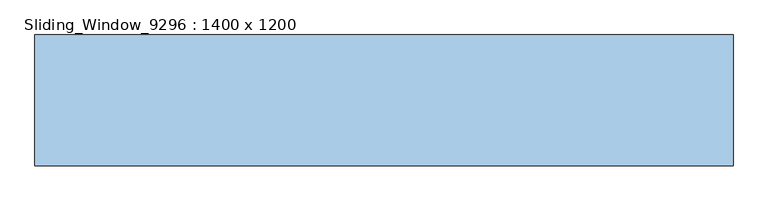
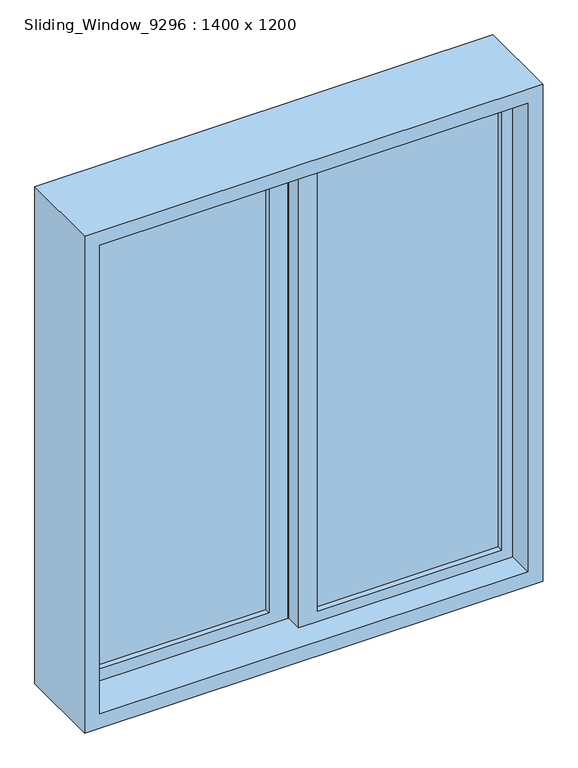
"""IFC4 building model written with IfcOpenShell, lengths in millimetres: window geometry, Sliding_Window_9296 : 1400 x 1200."""

from ifc_helpers import new_model, si_unit, frame, origin, place, context, project, spatial, polyline, outline, extrude, faceted_brep, source, transform, mapped, element, save


def sliding_window_9296_1400_x_1200_c978cd80(model_context):
    return source(origin(), model_context, "Body", "SolidModel", [
        faceted_brep([(-609.6, -114.3, 2297.0), (-609.6, 114.3, 2297.0), (-609.6, 114.3, 900.0), (-609.6, -114.3, 900.0), (609.6, 114.3, 2297.0), (609.6, 114.3, 900.0), (-589.6, 114.3, 920.0), (589.6, 114.3, 920.0), (589.6, 114.3, 2277.0), (-589.6, 114.3, 2277.0), (609.6, -114.3, 900.0), (609.6, -114.3, 2297.0), (-569.6, -114.3, 2257.0), (569.6, -114.3, 2257.0), (569.6, -114.3, 940.0), (-569.6, -114.3, 940.0), (-569.6, 0.0, 2257.0), (-569.6, 0.0, 940.0), (569.6, 0.0, 940.0), (-589.6, 0.0, 2277.0), (589.6, 0.0, 2277.0), (589.6, 0.0, 920.0), (-589.6, 0.0, 920.0), (569.6, 0.0, 2257.0)], [[[0, 1, 2, 3]], [[1, 4, 5, 2], [6, 7, 8, 9]], [[3, 2, 5, 10]], [[3, 10, 11, 0], [12, 13, 14, 15]], [[16, 12, 15, 17]], [[17, 15, 14, 18]], [[19, 20, 21, 22], [17, 18, 23, 16]], [[9, 19, 22, 6]], [[6, 22, 21, 7]], [[10, 5, 4, 11]], [[18, 14, 13, 23]], [[7, 21, 20, 8]], [[11, 4, 1, 0]], [[23, 13, 12, 16]], [[8, 20, 19, 9]]]),
        extrude(outline(polyline([(-50.0, 20.0), (-539.6, 20.0), (-539.6, 32.0), (-50.0, 32.0), (-50.0, 20.0)])), frame((0.0, 0.0, 970.0), z_axis=(0.0, 0.0, 1.0), x_axis=(1.0, 0.0, 0.0)), (0.0, 0.0, 1.0), 1257.0),
        extrude(outline(polyline([(920.0, 0.0), (2277.0, 0.0), (2277.0, -589.6), (920.0, -589.6), (920.0, 0.0)]), holes=[polyline([(2227.0, -539.6), (2227.0, -50.0), (970.0, -50.0), (970.0, -539.6), (2227.0, -539.6)])]), frame((0.0, 5.0, 0.0), z_axis=(0.0, 1.0, 0.0), x_axis=(0.0, 0.0, 1.0)), (0.0, 0.0, 1.0), 45.0),
        extrude(outline(polyline([(539.6, -30.0), (50.0, -30.0), (50.0, -18.0), (539.6, -18.0), (539.6, -30.0)])), frame((0.0, 0.0, 970.0), z_axis=(0.0, 0.0, 1.0), x_axis=(1.0, 0.0, 0.0)), (0.0, 0.0, 1.0), 1257.0),
        extrude(outline(polyline([(920.0, 589.6), (2277.0, 589.6), (2277.0, 0.0), (920.0, 0.0), (920.0, 589.6)]), holes=[polyline([(2227.0, 50.0), (2227.0, 539.6), (970.0, 539.6), (970.0, 50.0), (2227.0, 50.0)])]), frame((0.0, -45.0, 0.0), z_axis=(0.0, 1.0, 0.0), x_axis=(0.0, 0.0, 1.0)), (0.0, 0.0, 1.0), 45.0),
    ])


if __name__ == "__main__":
    model = new_model("IFC4")
    model_context = context("Model", 3, world=origin())
    ifc_project = project(units=[si_unit("LENGTHUNIT", "METRE", prefix="MILLI")], contexts=[model_context])
    site = spatial("IfcSite", under=ifc_project)
    building = spatial("IfcBuilding", under=site)
    placement = place(None, origin())
    sliding_window_9296_1400_x_1200_shape = sliding_window_9296_1400_x_1200_c978cd80(model_context)
    element("IfcWindow", 1, ObjectType="Sliding_Window_9296 : 1400 x 1200", at=placement, inside=building, context=model_context, shape_type="MappedRepresentation", body=[
        mapped(sliding_window_9296_1400_x_1200_shape, transform((0.0, 0.0, 0.0), x_axis=(1.0, 0.0, 0.0), y_axis=(0.0, 1.0, 0.0), z_axis=(0.0, 0.0, 1.0))),
    ])
    save(model, "model.ifc")
